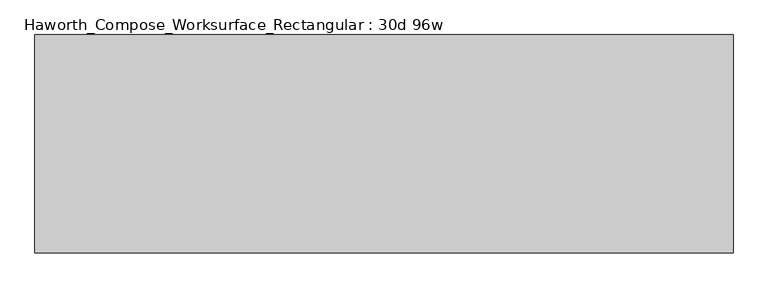
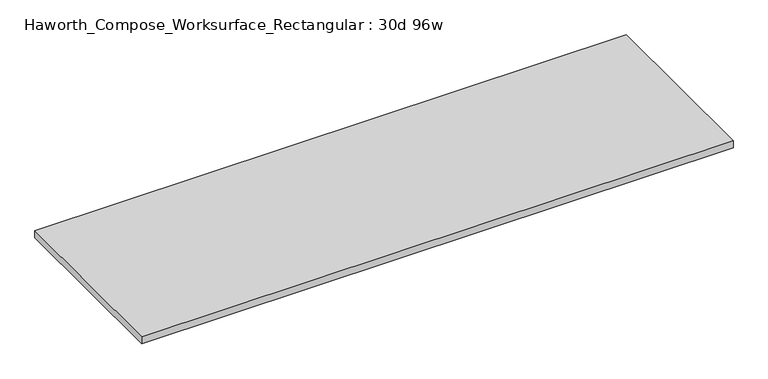
"""IFC4 building model written with IfcOpenShell, lengths in millimetres: furniture geometry, Haworth_Compose_Worksurface_Rectangular : 30d 96w."""

from ifc_helpers import new_model, si_unit, frame, origin, place, context, project, spatial, polyline, outline, extrude, source, transform, mapped, element, save


def haworth_compose_worksurface_rectangular_30d_96w_5ebcb52c(model_context):
    return source(origin(), model_context, "Body", "SweptSolid", [
        extrude(outline(polyline([(1219.2, -381.0), (-1219.2, -381.0), (-1219.2, 381.0), (1219.2, 381.0), (1219.2, -381.0)])), frame((0.0, 0.0, 706.4375), z_axis=(0.0, 0.0, 1.0), x_axis=(1.0, 0.0, 0.0)), (0.0, 0.0, 1.0), 30.1625),
    ])


if __name__ == "__main__":
    model = new_model("IFC4")
    model_context = context("Model", 3, world=origin())
    ifc_project = project(units=[si_unit("LENGTHUNIT", "METRE", prefix="MILLI")], contexts=[model_context])
    site = spatial("IfcSite", under=ifc_project)
    building = spatial("IfcBuilding", under=site)
    placement = place(None, origin())
    haworth_compose_worksurface_rectangular_30d_96w_shape = haworth_compose_worksurface_rectangular_30d_96w_5ebcb52c(model_context)
    element("IfcFurniture", 1, ObjectType="Haworth_Compose_Worksurface_Rectangular : 30d 96w", at=placement, inside=building, context=model_context, shape_type="MappedRepresentation", body=[
        mapped(haworth_compose_worksurface_rectangular_30d_96w_shape, transform((0.0, 0.0, 0.0), x_axis=(1.0, 0.0, 0.0), y_axis=(0.0, 1.0, 0.0), z_axis=(0.0, 0.0, 1.0))),
    ])
    save(model, "model.ifc")
